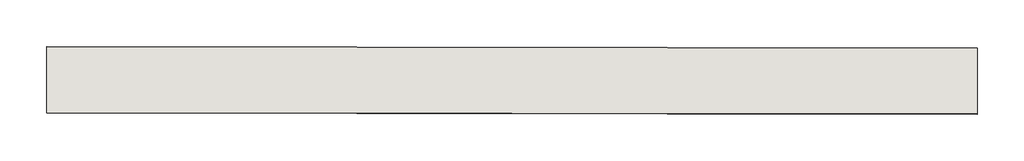
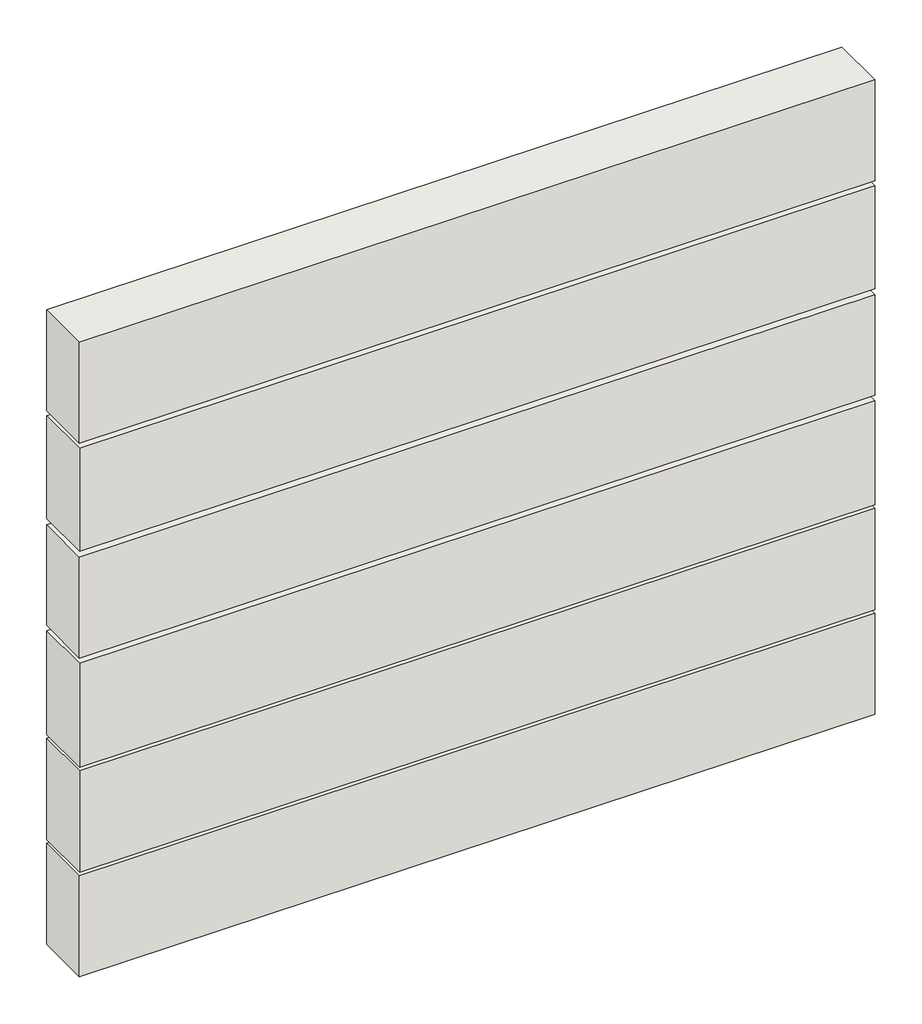
# One storey: 6 walls.
"""IFC4 building model written with IfcOpenShell, lengths in millimetres."""

from ifc_helpers import new_model, si_unit, frame, origin, place, context, project, spatial, polyline, outline, extrude, element, save

model = new_model("IFC4")

# Units and contexts
model_context = context("Model", 3, world=origin())
ifc_project = project(units=[si_unit("LENGTHUNIT", "METRE", prefix="MILLI")], contexts=[model_context])

# Site, building, storey
site = spatial("IfcSite", under=ifc_project)
building = spatial("IfcBuilding", under=site)
storey = spatial("IfcBuildingStorey", under=building, Elevation=4000.0)

# Walls
placement = place(None, origin())
element("IfcWall", 1, at=placement, inside=storey, context=model_context, shape_type="SweptSolid", body=[
    extrude(outline(polyline([(-23283.1657166, -1024.6889676), (-20483.1691984, -1029.1046082), (-20483.4846013, -1229.1043595), (-23283.4811195, -1224.688719), (-23283.1657166, -1024.6889676)])), frame((0.0, 0.0, 2100.0), z_axis=(0.0, 0.0, 1.0), x_axis=(1.0, 0.0, 0.0)), (0.0, 0.0, 1.0), 375.1405996),
])
element("IfcWall", 2, at=placement, inside=storey, context=model_context, shape_type="SweptSolid", body=[
    extrude(outline(polyline([(-23282.3693243, -1024.6889676), (-20482.3728061, -1029.1046082), (-20482.688209, -1229.1043595), (-23282.6847272, -1224.688719), (-23282.3693243, -1024.6889676)])), frame((0.0, 0.0, 1697.1809109), z_axis=(0.0, 0.0, 1.0), x_axis=(1.0, 0.0, 0.0)), (0.0, 0.0, 1.0), 382.8190891),
])
element("IfcWall", 3, at=placement, inside=storey, context=model_context, shape_type="SweptSolid", body=[
    extrude(outline(polyline([(-23283.0114969, -1024.6889676), (-20483.0149787, -1029.1046082), (-20483.3303816, -1229.1043595), (-23283.3268998, -1224.688719), (-23283.0114969, -1024.6889676)])), frame((0.0, 0.0, 1300.0), z_axis=(0.0, 0.0, 1.0), x_axis=(1.0, 0.0, 0.0)), (0.0, 0.0, 1.0), 375.1405996),
])
element("IfcWall", 4, at=placement, inside=storey, context=model_context, shape_type="SweptSolid", body=[
    extrude(outline(polyline([(-23282.3693243, -1024.6889676), (-20482.3728061, -1029.1046082), (-20482.688209, -1229.1043595), (-23282.6847272, -1224.688719), (-23282.3693243, -1024.6889676)])), frame((0.0, 0.0, 893.6371629), z_axis=(0.0, 0.0, 1.0), x_axis=(1.0, 0.0, 0.0)), (0.0, 0.0, 1.0), 386.3628371),
])
element("IfcWall", 5, at=placement, inside=storey, context=model_context, shape_type="SweptSolid", body=[
    extrude(outline(polyline([(-23282.3693243, -1024.6889676), (-20482.3728061, -1029.1046082), (-20482.688209, -1229.1043595), (-23282.6847272, -1224.688719), (-23282.3693243, -1024.6889676)])), frame((0.0, 0.0, 501.664603), z_axis=(0.0, 0.0, 1.0), x_axis=(1.0, 0.0, 0.0)), (0.0, 0.0, 1.0), 378.335397),
])
element("IfcWall", 6, at=placement, inside=storey, context=model_context, shape_type="SweptSolid", body=[
    extrude(outline(polyline([(-23283.3076479, -1024.6889676), (-20483.3111297, -1029.1046082), (-20483.6265326, -1229.1043595), (-23283.6230508, -1224.688719), (-23283.3076479, -1024.6889676)])), frame((0.0, 0.0, 113.6117686), z_axis=(0.0, 0.0, 1.0), x_axis=(1.0, 0.0, 0.0)), (0.0, 0.0, 1.0), 375.1405996),
])

save(model, "model.ifc")
